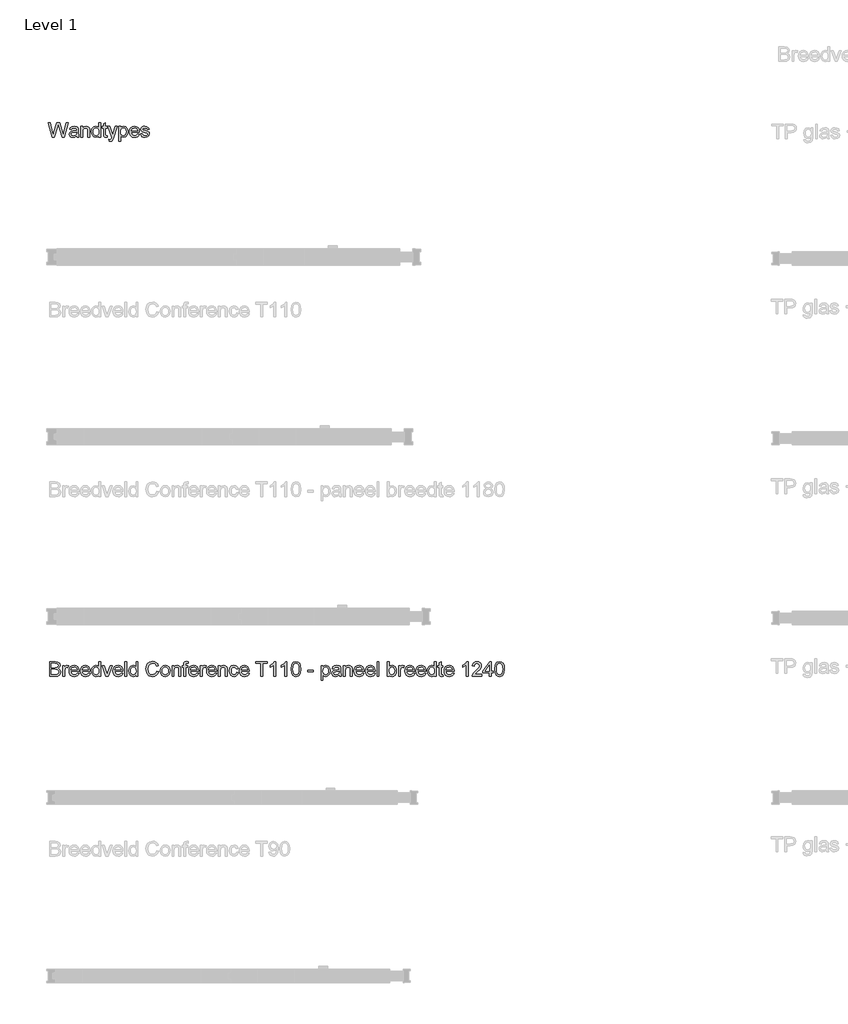
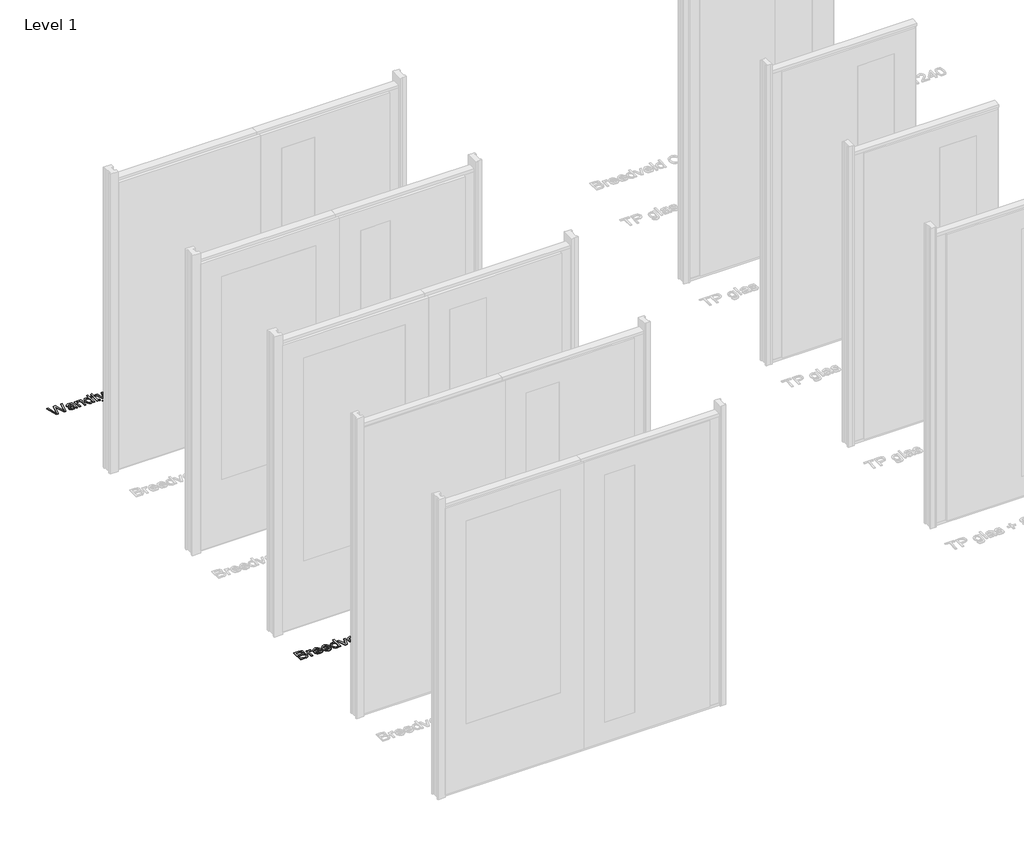
# One storey, part 6 of 17: 2 proxies.
"""IFC4 building model written with IfcOpenShell, lengths in millimetres."""

from ifc_helpers import new_model, si_unit, origin, origin_with_axes, place, context, project, spatial, polyline, outline, extrude, element, save

model = new_model("IFC4")

# Units and contexts
model_context = context("Model", 3, world=origin())
ifc_project = project(units=[si_unit("LENGTHUNIT", "METRE", prefix="MILLI")], contexts=[model_context])

# Site, building, storey
site = spatial("IfcSite", under=ifc_project)
building = spatial("IfcBuilding", under=site)
storey = spatial("IfcBuildingStorey", under=building, Name="Level 1", Elevation=0.0)

# Proxies
placement = place(None, origin())
element("IfcBuildingElementProxy", 1, Name="100 mm", ObjectType="100 mm", at=placement, inside=storey, context=model_context, shape_type="SweptSolid", body=[
    extrude(outline(polyline([(-17362.737862, 5332.9102169), (-17389.5888235, 5431.3717554), (-17376.8965158, 5431.3717554), (-17361.3195927, 5366.6602169), (-17356.5119004, 5346.6842554), (-17351.3676697, 5364.3525246), (-17331.8484389, 5431.3717554), (-17313.5551697, 5431.3717554), (-17299.3724774, 5382.7900246), (-17288.8195927, 5346.6842554), (-17284.1561312, 5366.0832938), (-17268.4349774, 5431.3717554), (-17255.7426697, 5431.3717554), (-17282.6176697, 5332.9102169), (-17295.7667081, 5332.9102169), (-17319.3724774, 5408.8717554), (-17322.6657466, 5419.4727169), (-17326.3676697, 5406.7082938), (-17347.8820927, 5332.9102169), (-17362.737862, 5332.9102169)])), origin_with_axes(), (0.0, 0.0, 1.0), 5.0),
    extrude(outline(polyline([(-17198.8195927, 5342.1409861), (-17210.7546889, 5333.79964), (-17223.9397851, 5331.3717554), (-17234.2252418, 5332.8320919), (-17241.8123812, 5337.2131015), (-17246.4908668, 5343.8657457), (-17248.050362, 5352.1409861), (-17245.6945927, 5361.8765631), (-17239.5046889, 5368.9438707), (-17230.8869004, 5372.9823323), (-17220.237862, 5374.8332938), (-17198.8917081, 5379.0640631), (-17198.8195927, 5381.8044477), (-17202.2090158, 5390.8909861), (-17215.8147851, 5394.4486784), (-17228.2667081, 5392.08089), (-17234.2042081, 5383.6794477), (-17246.5119004, 5385.2179092), (-17241.1873812, 5397.23714), (-17230.4662274, 5404.2804092), (-17214.2282466, 5406.7563707), (-17199.3123812, 5404.5688707), (-17190.8869004, 5399.0760823), (-17187.112862, 5390.7227169), (-17186.5119004, 5379.9534861), (-17186.5119004, 5364.6409861), (-17185.8869004, 5343.2587746), (-17183.4349774, 5332.9102169), (-17195.7426697, 5332.9102169), (-17198.8195927, 5342.1409861)]), holes=[polyline([(-17198.8195927, 5366.7563707), (-17218.675362, 5362.9823323), (-17229.2643043, 5360.98714), (-17234.0599774, 5357.7419477), (-17235.7426697, 5353.0063707), (-17232.0768043, 5346.3477169), (-17221.3195927, 5343.6794477), (-17208.8676697, 5346.6241592), (-17200.8388235, 5353.7515631), (-17198.8917081, 5363.2707938), (-17198.8195927, 5366.7563707)])]), origin_with_axes(), (0.0, 0.0, 1.0), 5.0),
    extrude(outline(polyline([(-17169.5888235, 5332.9102169), (-17169.5888235, 5405.2179092), (-17157.2811312, 5405.2179092), (-17157.2811312, 5395.1217554), (-17147.8700735, 5403.8477169), (-17135.0215158, 5406.7563707), (-17123.3989197, 5404.4126207), (-17115.4662274, 5398.2587746), (-17111.7763235, 5389.2082938), (-17111.1272851, 5377.3092554), (-17111.1272851, 5332.9102169), (-17123.4349774, 5332.9102169), (-17123.4349774, 5375.6506015), (-17124.8532466, 5386.5400246), (-17129.8652658, 5392.2972361), (-17138.3147851, 5394.4486784), (-17151.6681504, 5389.6169477), (-17155.877886, 5382.6157457), (-17157.2811312, 5371.2756015), (-17157.2811312, 5332.9102169), (-17169.5888235, 5332.9102169)])), origin_with_axes(), (0.0, 0.0, 1.0), 5.0),
    extrude(outline(polyline([(-17049.5888235, 5332.9102169), (-17049.5888235, 5344.5207938), (-17057.7318524, 5334.659015), (-17068.987862, 5331.3717554), (-17084.2282466, 5336.1313707), (-17094.9974774, 5349.4126207), (-17098.8195927, 5368.9919477), (-17095.2979581, 5388.5832938), (-17084.7450735, 5402.0688707), (-17069.0359389, 5406.7563707), (-17057.6897851, 5403.4030054), (-17049.5888235, 5394.6890631), (-17049.5888235, 5431.3717554), (-17037.2811312, 5431.3717554), (-17037.2811312, 5332.9102169), (-17049.5888235, 5332.9102169)]), holes=[polyline([(-17086.5119004, 5369.0400246), (-17085.1236793, 5357.9072121), (-17080.9590158, 5349.9895438), (-17074.9073331, 5345.2569717), (-17067.8580543, 5343.6794477), (-17060.8117802, 5345.1848563), (-17054.9133427, 5349.7010823), (-17050.9199533, 5357.3122602), (-17049.5888235, 5368.1025246), (-17050.9439918, 5379.8993996), (-17055.0094966, 5388.0784861), (-17061.0581745, 5392.8561304), (-17068.362862, 5394.4486784), (-17075.4842562, 5392.9192313), (-17081.3195927, 5388.33089), (-17085.2138235, 5380.4492794), (-17086.5119004, 5369.0400246)])]), origin_with_axes(), (0.0, 0.0, 1.0), 5.0),
    extrude(outline(polyline([(-16992.6657466, 5343.17464), (-16991.1272851, 5332.54964), (-17000.3340158, 5331.3717554), (-17010.6465158, 5333.4150246), (-17015.7907466, 5338.7756015), (-17017.2811312, 5352.7419477), (-17017.2811312, 5392.9102169), (-17026.5119004, 5392.9102169), (-17026.5119004, 5405.2179092), (-17017.2811312, 5405.2179092), (-17017.2811312, 5422.7900246), (-17004.9734389, 5430.0256015), (-17004.9734389, 5405.2179092), (-16992.6657466, 5405.2179092), (-16992.6657466, 5392.9102169), (-17004.9734389, 5392.9102169), (-17004.9734389, 5353.1025246), (-17004.3244004, 5346.7563707), (-17002.2210351, 5344.5087746), (-16998.0263235, 5343.6794477), (-16992.6657466, 5343.17464)])), origin_with_axes(), (0.0, 0.0, 1.0), 5.0),
    extrude(outline(polyline([(-16980.3580543, 5305.2179092), (-16981.8965158, 5317.0688707), (-16975.6465158, 5315.98714), (-16969.8051697, 5317.3453131), (-16966.2234389, 5321.1313707), (-16962.8580543, 5330.1938707), (-16961.8965158, 5333.17464), (-16988.050362, 5405.2179092), (-16975.0695927, 5405.2179092), (-16961.1994004, 5365.0736784), (-16956.3676697, 5349.0159861), (-16951.5359389, 5363.1986784), (-16937.2811312, 5405.2179092), (-16924.3965158, 5405.2179092), (-16949.5647851, 5331.1794477), (-16956.1032466, 5315.1217554), (-16963.2426697, 5306.4438707), (-16972.8340158, 5303.6794477), (-16980.3580543, 5305.2179092)])), origin_with_axes(), (0.0, 0.0, 1.0), 5.0),
    extrude(outline(polyline([(-16914.2042081, 5305.2179092), (-16914.2042081, 5405.2179092), (-16901.8965158, 5405.2179092), (-16901.8965158, 5393.1506015), (-16893.3869004, 5403.3549284), (-16881.8965158, 5406.7563707), (-16866.2955543, 5401.9967554), (-16856.1032466, 5388.5832938), (-16852.6657466, 5369.6169477), (-16856.5479581, 5349.6770438), (-16867.8219966, 5336.0953131), (-16883.3869004, 5331.3717554), (-16894.0960351, 5334.5328131), (-16901.8965158, 5342.5256015), (-16901.8965158, 5305.2179092), (-16914.2042081, 5305.2179092)]), holes=[polyline([(-16901.8965158, 5368.48714), (-16900.565386, 5357.4534861), (-16896.5719966, 5349.73714), (-16890.6795687, 5345.1938707), (-16883.6513235, 5343.6794477), (-16876.5088956, 5345.2479573), (-16870.4662274, 5349.9534861), (-16866.346636, 5357.9522842), (-16864.9734389, 5369.4006015), (-16866.3135831, 5380.3741592), (-16870.3340158, 5388.1986784), (-16876.2174293, 5392.8861784), (-16883.1465158, 5394.4486784), (-16890.1026456, 5392.7870198), (-16896.2114197, 5387.8020438), (-16900.4752418, 5379.6500006), (-16901.8965158, 5368.48714)])]), origin_with_axes(), (0.0, 0.0, 1.0), 5.0),
    extrude(outline(polyline([(-16788.1945927, 5354.4486784), (-16776.1272851, 5352.9102169), (-16780.4752418, 5343.8176688), (-16787.4133427, 5337.0207938), (-16796.7853379, 5332.784015), (-16808.4349774, 5331.3717554), (-16822.8760831, 5333.8086544), (-16833.987862, 5341.1193515), (-16841.0731985, 5352.8290871), (-16843.4349774, 5368.4631015), (-16841.0491601, 5384.6229573), (-16833.8917081, 5396.7082938), (-16822.9301697, 5404.2443515), (-16809.1320927, 5406.7563707), (-16795.7637033, 5404.2503611), (-16785.081612, 5396.7323323), (-16778.0774052, 5384.6710342), (-16775.7426697, 5368.5352169), (-16775.8147851, 5365.2179092), (-16831.1272851, 5365.2179092), (-16828.9968764, 5356.0051688), (-16824.0479581, 5349.2323323), (-16808.1945927, 5343.6794477), (-16796.1272851, 5346.2515631), (-16788.1945927, 5354.4486784)]), holes=[polyline([(-16831.1272851, 5377.5256015), (-16788.050362, 5377.5256015), (-16792.9782466, 5388.6794477), (-16800.1537274, 5393.0063707), (-16809.1801697, 5394.4486784), (-16824.3364197, 5389.8453131), (-16831.1272851, 5377.5256015)])]), origin_with_axes(), (0.0, 0.0, 1.0), 5.0),
    extrude(outline(polyline([(-16768.050362, 5354.4486784), (-16755.7426697, 5355.98714), (-16750.0455543, 5346.8525246), (-16736.9926697, 5343.6794477), (-16724.4445927, 5346.5881015), (-16720.3580543, 5353.4150246), (-16724.4686312, 5358.9438707), (-16737.1369004, 5362.4534861), (-16755.6705543, 5368.4751207), (-16763.7594966, 5375.5063707), (-16766.5119004, 5385.4342554), (-16764.300362, 5394.6049284), (-16758.2667081, 5401.61214), (-16750.4421889, 5405.2539669), (-16739.8532466, 5406.7563707), (-16724.8772851, 5404.3405054), (-16715.3580543, 5397.8020438), (-16711.1272851, 5386.7563707), (-16723.4349774, 5385.2179092), (-16728.0623812, 5392.0087746), (-16738.8917081, 5394.4486784), (-16750.6705543, 5392.1169477), (-16754.2042081, 5386.6842554), (-16752.737862, 5383.1025246), (-16748.1465158, 5380.3861784), (-16737.5455543, 5377.7659861), (-16719.4806504, 5371.9727169), (-16711.0912274, 5365.4102169), (-16708.050362, 5354.7131015), (-16711.6200735, 5342.9342554), (-16721.9205543, 5334.3885823), (-16737.1609389, 5331.3717554), (-16749.5707947, 5332.8260823), (-16758.6272851, 5337.1890631), (-16764.6729581, 5344.4126207), (-16768.050362, 5354.4486784)])), origin_with_axes(), (0.0, 0.0, 1.0), 5.0),
])
element("IfcBuildingElementProxy", 2, Name="100 mm", ObjectType="100 mm", at=placement, inside=storey, context=model_context, shape_type="SweptSolid", body=[
    extrude(outline(polyline([(-17380.3580543, 1702.9102169), (-17380.3580543, 1801.3717554), (-17342.7859389, 1801.3717554), (-17324.3844966, 1798.4751207), (-17313.519112, 1789.5688707), (-17309.5888235, 1776.9727169), (-17312.894112, 1765.4703131), (-17322.8820927, 1756.7563707), (-17310.7546889, 1747.5736784), (-17306.5119004, 1732.2611784), (-17309.4085351, 1719.0280054), (-17316.5840158, 1709.6049284), (-17327.2931504, 1704.6049284), (-17343.0744004, 1702.9102169), (-17380.3580543, 1702.9102169)]), holes=[polyline([(-17368.050362, 1715.2179092), (-17342.8099774, 1715.2179092), (-17333.675362, 1715.6986784), (-17325.9469966, 1718.3789669), (-17320.8268043, 1723.8477169), (-17318.8195927, 1732.1409861), (-17321.175362, 1741.7082938), (-17328.8075735, 1747.4174284), (-17344.0119004, 1749.0640631), (-17368.050362, 1749.0640631), (-17368.050362, 1715.2179092)]), polyline([(-17368.050362, 1761.3717554), (-17345.5744004, 1761.3717554), (-17332.4494004, 1762.4294477), (-17324.5527658, 1766.9847361), (-17321.8965158, 1775.0015631), (-17324.3724774, 1783.0304092), (-17331.4638235, 1787.7780054), (-17347.2811312, 1789.0640631), (-17368.050362, 1789.0640631), (-17368.050362, 1761.3717554)])]), origin_with_axes(), (0.0, 0.0, 1.0), 5.0),
    extrude(outline(polyline([(-17291.1272851, 1702.9102169), (-17291.1272851, 1775.2179092), (-17280.3580543, 1775.2179092), (-17280.3580543, 1764.5207938), (-17272.7138235, 1774.3765631), (-17265.0215158, 1776.7563707), (-17252.6657466, 1772.9582938), (-17256.7763235, 1761.92464), (-17265.4301697, 1764.4486784), (-17272.3893043, 1762.0207938), (-17276.8244004, 1755.2900246), (-17278.8195927, 1740.9150246), (-17278.8195927, 1702.9102169), (-17291.1272851, 1702.9102169)])), origin_with_axes(), (0.0, 0.0, 1.0), 5.0),
    extrude(outline(polyline([(-17194.3484389, 1724.4486784), (-17182.2811312, 1722.9102169), (-17186.6290879, 1713.8176688), (-17193.5671889, 1707.0207938), (-17202.9391841, 1702.784015), (-17214.5888235, 1701.3717554), (-17229.0299293, 1703.8086544), (-17240.1417081, 1711.1193515), (-17247.2270447, 1722.8290871), (-17249.5888235, 1738.4631015), (-17247.2030062, 1754.6229573), (-17240.0455543, 1766.7082938), (-17229.0840158, 1774.2443515), (-17215.2859389, 1776.7563707), (-17201.9175495, 1774.2503611), (-17191.2354581, 1766.7323323), (-17184.2312514, 1754.6710342), (-17181.8965158, 1738.5352169), (-17181.9686312, 1735.2179092), (-17237.2811312, 1735.2179092), (-17235.1507226, 1726.0051688), (-17230.2018043, 1719.2323323), (-17214.3484389, 1713.6794477), (-17202.2811312, 1716.2515631), (-17194.3484389, 1724.4486784)]), holes=[polyline([(-17237.2811312, 1747.5256015), (-17194.2042081, 1747.5256015), (-17199.1320927, 1758.6794477), (-17206.3075735, 1763.0063707), (-17215.3340158, 1764.4486784), (-17230.4902658, 1759.8453131), (-17237.2811312, 1747.5256015)])]), origin_with_axes(), (0.0, 0.0, 1.0), 5.0),
    extrude(outline(polyline([(-17118.9638235, 1724.4486784), (-17106.8965158, 1722.9102169), (-17111.2444726, 1713.8176688), (-17118.1825735, 1707.0207938), (-17127.5545687, 1702.784015), (-17139.2042081, 1701.3717554), (-17153.6453139, 1703.8086544), (-17164.7570927, 1711.1193515), (-17171.8424293, 1722.8290871), (-17174.2042081, 1738.4631015), (-17171.8183908, 1754.6229573), (-17164.6609389, 1766.7082938), (-17153.6994004, 1774.2443515), (-17139.9013235, 1776.7563707), (-17126.5329341, 1774.2503611), (-17115.8508427, 1766.7323323), (-17108.846636, 1754.6710342), (-17106.5119004, 1738.5352169), (-17106.5840158, 1735.2179092), (-17161.8965158, 1735.2179092), (-17159.7661072, 1726.0051688), (-17154.8171889, 1719.2323323), (-17138.9638235, 1713.6794477), (-17126.8965158, 1716.2515631), (-17118.9638235, 1724.4486784)]), holes=[polyline([(-17161.8965158, 1747.5256015), (-17118.8195927, 1747.5256015), (-17123.7474774, 1758.6794477), (-17130.9229581, 1763.0063707), (-17139.9494004, 1764.4486784), (-17155.1056504, 1759.8453131), (-17161.8965158, 1747.5256015)])]), origin_with_axes(), (0.0, 0.0, 1.0), 5.0),
    extrude(outline(polyline([(-17049.5888235, 1702.9102169), (-17049.5888235, 1714.5207938), (-17057.7318524, 1704.659015), (-17068.987862, 1701.3717554), (-17084.2282466, 1706.1313707), (-17094.9974774, 1719.4126207), (-17098.8195927, 1738.9919477), (-17095.2979581, 1758.5832938), (-17084.7450735, 1772.0688707), (-17069.0359389, 1776.7563707), (-17057.6897851, 1773.4030054), (-17049.5888235, 1764.6890631), (-17049.5888235, 1801.3717554), (-17037.2811312, 1801.3717554), (-17037.2811312, 1702.9102169), (-17049.5888235, 1702.9102169)]), holes=[polyline([(-17086.5119004, 1739.0400246), (-17085.1236793, 1727.9072121), (-17080.9590158, 1719.9895438), (-17074.9073331, 1715.2569717), (-17067.8580543, 1713.6794477), (-17060.8117802, 1715.1848563), (-17054.9133427, 1719.7010823), (-17050.9199533, 1727.3122602), (-17049.5888235, 1738.1025246), (-17050.9439918, 1749.8993996), (-17055.0094966, 1758.0784861), (-17061.0581745, 1762.8561304), (-17068.362862, 1764.4486784), (-17075.4842562, 1762.9192313), (-17081.3195927, 1758.33089), (-17085.2138235, 1750.4492794), (-17086.5119004, 1739.0400246)])]), origin_with_axes(), (0.0, 0.0, 1.0), 5.0),
    extrude(outline(polyline([(-17001.0792081, 1702.9102169), (-17026.5119004, 1775.2179092), (-17013.4830543, 1775.2179092), (-16998.0744004, 1731.9006015), (-16993.4349774, 1717.3332938), (-16988.8917081, 1731.0832938), (-16973.3869004, 1775.2179092), (-16960.3580543, 1775.2179092), (-16985.4782466, 1702.9102169), (-17001.0792081, 1702.9102169)])), origin_with_axes(), (0.0, 0.0, 1.0), 5.0),
    extrude(outline(polyline([(-16898.9638235, 1724.4486784), (-16886.8965158, 1722.9102169), (-16891.2444726, 1713.8176688), (-16898.1825735, 1707.0207938), (-16907.5545687, 1702.784015), (-16919.2042081, 1701.3717554), (-16933.6453139, 1703.8086544), (-16944.7570927, 1711.1193515), (-16951.8424293, 1722.8290871), (-16954.2042081, 1738.4631015), (-16951.8183908, 1754.6229573), (-16944.6609389, 1766.7082938), (-16933.6994004, 1774.2443515), (-16919.9013235, 1776.7563707), (-16906.5329341, 1774.2503611), (-16895.8508427, 1766.7323323), (-16888.846636, 1754.6710342), (-16886.5119004, 1738.5352169), (-16886.5840158, 1735.2179092), (-16941.8965158, 1735.2179092), (-16939.7661072, 1726.0051688), (-16934.8171889, 1719.2323323), (-16918.9638235, 1713.6794477), (-16906.8965158, 1716.2515631), (-16898.9638235, 1724.4486784)]), holes=[polyline([(-16941.8965158, 1747.5256015), (-16898.8195927, 1747.5256015), (-16903.7474774, 1758.6794477), (-16910.9229581, 1763.0063707), (-16919.9494004, 1764.4486784), (-16935.1056504, 1759.8453131), (-16941.8965158, 1747.5256015)])]), origin_with_axes(), (0.0, 0.0, 1.0), 5.0),
    extrude(outline(polyline([(-16874.2042081, 1702.9102169), (-16874.2042081, 1801.3717554), (-16861.8965158, 1801.3717554), (-16861.8965158, 1702.9102169), (-16874.2042081, 1702.9102169)])), origin_with_axes(), (0.0, 0.0, 1.0), 5.0),
    extrude(outline(polyline([(-16798.8195927, 1702.9102169), (-16798.8195927, 1714.5207938), (-16806.9626216, 1704.659015), (-16818.2186312, 1701.3717554), (-16833.4590158, 1706.1313707), (-16844.2282466, 1719.4126207), (-16848.050362, 1738.9919477), (-16844.5287274, 1758.5832938), (-16833.9758427, 1772.0688707), (-16818.2667081, 1776.7563707), (-16806.9205543, 1773.4030054), (-16798.8195927, 1764.6890631), (-16798.8195927, 1801.3717554), (-16786.5119004, 1801.3717554), (-16786.5119004, 1702.9102169), (-16798.8195927, 1702.9102169)]), holes=[polyline([(-16835.7426697, 1739.0400246), (-16834.3544485, 1727.9072121), (-16830.1897851, 1719.9895438), (-16824.1381024, 1715.2569717), (-16817.0888235, 1713.6794477), (-16810.0425495, 1715.1848563), (-16804.144112, 1719.7010823), (-16800.1507226, 1727.3122602), (-16798.8195927, 1738.1025246), (-16800.174761, 1749.8993996), (-16804.2402658, 1758.0784861), (-16810.2889437, 1762.8561304), (-16817.5936312, 1764.4486784), (-16824.7150254, 1762.9192313), (-16830.550362, 1758.33089), (-16834.4445927, 1750.4492794), (-16835.7426697, 1739.0400246)])]), origin_with_axes(), (0.0, 0.0, 1.0), 5.0),
    extrude(outline(polyline([(-16658.8195927, 1737.9102169), (-16646.5119004, 1734.73714), (-16652.190987, 1720.3951929), (-16661.1032466, 1709.9174284), (-16672.8099774, 1703.5081736), (-16686.8724774, 1701.3717554), (-16701.1483187, 1702.9883419), (-16712.4854581, 1707.8381015), (-16721.175362, 1715.752765), (-16727.5094966, 1726.5640631), (-16732.6657466, 1752.8861784), (-16731.2084149, 1767.2431496), (-16726.8364197, 1779.6409861), (-16719.7781264, 1789.6860582), (-16710.2619004, 1796.9847361), (-16686.6080543, 1802.9102169), (-16673.1134629, 1800.9931496), (-16661.956612, 1795.2419477), (-16653.4860591, 1786.0111784), (-16648.050362, 1773.6554092), (-16660.3580543, 1770.7227169), (-16670.4542081, 1785.8549284), (-16687.0888235, 1790.6025246), (-16706.3436312, 1785.3381015), (-16717.2210351, 1771.2034861), (-16720.3580543, 1752.9102169), (-16716.644112, 1731.7082938), (-16705.081612, 1718.1626207), (-16688.0984389, 1713.6794477), (-16677.8250014, 1715.20589), (-16669.2643043, 1719.7852169), (-16662.8009629, 1727.3693515), (-16658.8195927, 1737.9102169)])), origin_with_axes(), (0.0, 0.0, 1.0), 5.0),
    extrude(outline(polyline([(-16634.2042081, 1739.0640631), (-16631.5419485, 1756.4979573), (-16623.5551697, 1768.7515631), (-16613.6873812, 1774.7551688), (-16601.8724774, 1776.7563707), (-16588.9427899, 1774.3194717), (-16578.6152658, 1767.0087746), (-16571.8454341, 1755.4012025), (-16569.5888235, 1740.0736784), (-16573.5792081, 1718.17464), (-16585.2018043, 1705.7828131), (-16601.8724774, 1701.3717554), (-16614.9584149, 1703.79964), (-16625.2739197, 1711.0832938), (-16631.971636, 1722.9342554), (-16634.2042081, 1739.0640631)]), holes=[polyline([(-16621.8965158, 1739.0881015), (-16620.472237, 1727.9492794), (-16616.1994004, 1720.0135823), (-16609.769112, 1715.2629813), (-16601.8724774, 1713.6794477), (-16594.0119004, 1715.2719957), (-16587.5936312, 1720.04964), (-16583.3207947, 1728.0905054), (-16581.8965158, 1739.4727169), (-16583.3298091, 1750.2870198), (-16587.6296889, 1758.1145438), (-16594.0569726, 1762.8651448), (-16601.8724774, 1764.4486784), (-16609.769112, 1762.8711544), (-16616.1994004, 1758.1385823), (-16620.472237, 1750.220914), (-16621.8965158, 1739.0881015)])]), origin_with_axes(), (0.0, 0.0, 1.0), 5.0),
    extrude(outline(polyline([(-16555.7426697, 1702.9102169), (-16555.7426697, 1775.2179092), (-16543.4349774, 1775.2179092), (-16543.4349774, 1765.1217554), (-16534.0239197, 1773.8477169), (-16521.175362, 1776.7563707), (-16509.5527658, 1774.4126207), (-16501.6200735, 1768.2587746), (-16497.9301697, 1759.2082938), (-16497.2811312, 1747.3092554), (-16497.2811312, 1702.9102169), (-16509.5888235, 1702.9102169), (-16509.5888235, 1745.6506015), (-16511.0070927, 1756.5400246), (-16516.019112, 1762.2972361), (-16524.4686312, 1764.4486784), (-16537.8219966, 1759.6169477), (-16542.0317322, 1752.6157457), (-16543.4349774, 1741.2756015), (-16543.4349774, 1702.9102169), (-16555.7426697, 1702.9102169)])), origin_with_axes(), (0.0, 0.0, 1.0), 5.0),
    extrude(outline(polyline([(-16477.2811312, 1702.9102169), (-16477.2811312, 1762.9102169), (-16488.050362, 1762.9102169), (-16488.050362, 1775.2179092), (-16477.2811312, 1775.2179092), (-16477.2811312, 1782.5015631), (-16475.9830543, 1792.7659861), (-16469.6849774, 1800.0977169), (-16457.2811312, 1802.9102169), (-16446.0551697, 1801.5640631), (-16447.8580543, 1790.0256015), (-16454.9494004, 1790.6025246), (-16462.7018043, 1788.5592554), (-16464.9734389, 1780.9390631), (-16464.9734389, 1775.2179092), (-16451.1272851, 1775.2179092), (-16451.1272851, 1762.9102169), (-16464.9734389, 1762.9102169), (-16464.9734389, 1702.9102169), (-16477.2811312, 1702.9102169)])), origin_with_axes(), (0.0, 0.0, 1.0), 5.0),
    extrude(outline(polyline([(-16389.7330543, 1724.4486784), (-16377.6657466, 1722.9102169), (-16382.0137033, 1713.8176688), (-16388.9518043, 1707.0207938), (-16398.3237995, 1702.784015), (-16409.9734389, 1701.3717554), (-16424.4145447, 1703.8086544), (-16435.5263235, 1711.1193515), (-16442.6116601, 1722.8290871), (-16444.9734389, 1738.4631015), (-16442.5876216, 1754.6229573), (-16435.4301697, 1766.7082938), (-16424.4686312, 1774.2443515), (-16410.6705543, 1776.7563707), (-16397.3021649, 1774.2503611), (-16386.6200735, 1766.7323323), (-16379.6158668, 1754.6710342), (-16377.2811312, 1738.5352169), (-16377.3532466, 1735.2179092), (-16432.6657466, 1735.2179092), (-16430.5353379, 1726.0051688), (-16425.5864197, 1719.2323323), (-16409.7330543, 1713.6794477), (-16397.6657466, 1716.2515631), (-16389.7330543, 1724.4486784)]), holes=[polyline([(-16432.6657466, 1747.5256015), (-16389.5888235, 1747.5256015), (-16394.5167081, 1758.6794477), (-16401.6921889, 1763.0063707), (-16410.7186312, 1764.4486784), (-16425.8748812, 1759.8453131), (-16432.6657466, 1747.5256015)])]), origin_with_axes(), (0.0, 0.0, 1.0), 5.0),
    extrude(outline(polyline([(-16364.9734389, 1702.9102169), (-16364.9734389, 1775.2179092), (-16354.2042081, 1775.2179092), (-16354.2042081, 1764.5207938), (-16346.5599774, 1774.3765631), (-16338.8676697, 1776.7563707), (-16326.5119004, 1772.9582938), (-16330.6224774, 1761.92464), (-16339.2763235, 1764.4486784), (-16346.2354581, 1762.0207938), (-16350.6705543, 1755.2900246), (-16352.6657466, 1740.9150246), (-16352.6657466, 1702.9102169), (-16364.9734389, 1702.9102169)])), origin_with_axes(), (0.0, 0.0, 1.0), 5.0),
    extrude(outline(polyline([(-16268.1945927, 1724.4486784), (-16256.1272851, 1722.9102169), (-16260.4752418, 1713.8176688), (-16267.4133427, 1707.0207938), (-16276.7853379, 1702.784015), (-16288.4349774, 1701.3717554), (-16302.8760831, 1703.8086544), (-16313.987862, 1711.1193515), (-16321.0731985, 1722.8290871), (-16323.4349774, 1738.4631015), (-16321.0491601, 1754.6229573), (-16313.8917081, 1766.7082938), (-16302.9301697, 1774.2443515), (-16289.1320927, 1776.7563707), (-16275.7637033, 1774.2503611), (-16265.081612, 1766.7323323), (-16258.0774052, 1754.6710342), (-16255.7426697, 1738.5352169), (-16255.8147851, 1735.2179092), (-16311.1272851, 1735.2179092), (-16308.9968764, 1726.0051688), (-16304.0479581, 1719.2323323), (-16288.1945927, 1713.6794477), (-16276.1272851, 1716.2515631), (-16268.1945927, 1724.4486784)]), holes=[polyline([(-16311.1272851, 1747.5256015), (-16268.050362, 1747.5256015), (-16272.9782466, 1758.6794477), (-16280.1537274, 1763.0063707), (-16289.1801697, 1764.4486784), (-16304.3364197, 1759.8453131), (-16311.1272851, 1747.5256015)])]), origin_with_axes(), (0.0, 0.0, 1.0), 5.0),
    extrude(outline(polyline([(-16243.4349774, 1702.9102169), (-16243.4349774, 1775.2179092), (-16231.1272851, 1775.2179092), (-16231.1272851, 1765.1217554), (-16221.7162274, 1773.8477169), (-16208.8676697, 1776.7563707), (-16197.2450735, 1774.4126207), (-16189.3123812, 1768.2587746), (-16185.6224774, 1759.2082938), (-16184.9734389, 1747.3092554), (-16184.9734389, 1702.9102169), (-16197.2811312, 1702.9102169), (-16197.2811312, 1745.6506015), (-16198.6994004, 1756.5400246), (-16203.7114197, 1762.2972361), (-16212.1609389, 1764.4486784), (-16225.5143043, 1759.6169477), (-16229.7240399, 1752.6157457), (-16231.1272851, 1741.2756015), (-16231.1272851, 1702.9102169), (-16243.4349774, 1702.9102169)])), origin_with_axes(), (0.0, 0.0, 1.0), 5.0),
    extrude(outline(polyline([(-16121.8965158, 1729.0640631), (-16109.5888235, 1727.5256015), (-16113.0203139, 1716.5790871), (-16119.4686312, 1708.3068515), (-16128.3268043, 1703.1055294), (-16138.987862, 1701.3717554), (-16152.0798091, 1703.7906256), (-16162.3171889, 1711.0472361), (-16168.924761, 1722.8230775), (-16171.1272851, 1738.79964), (-16167.3652658, 1759.2443515), (-16155.8989197, 1772.3813707), (-16139.1561312, 1776.7563707), (-16128.7564918, 1775.2539669), (-16120.4421889, 1770.7467554), (-16114.4776456, 1763.4751207), (-16111.1272851, 1753.6794477), (-16123.4349774, 1752.1409861), (-16129.144112, 1761.3597361), (-16139.0599774, 1764.4486784), (-16147.0137033, 1762.9282457), (-16153.3268043, 1758.3669477), (-16157.4463956, 1750.51839), (-16158.8195927, 1739.1361784), (-16157.4764437, 1727.6007217), (-16153.4469966, 1719.7251207), (-16147.2480783, 1715.1908659), (-16139.3965158, 1713.6794477), (-16127.7979581, 1717.4534861), (-16121.8965158, 1729.0640631)])), origin_with_axes(), (0.0, 0.0, 1.0), 5.0),
    extrude(outline(polyline([(-16048.1945927, 1724.4486784), (-16036.1272851, 1722.9102169), (-16040.4752418, 1713.8176688), (-16047.4133427, 1707.0207938), (-16056.7853379, 1702.784015), (-16068.4349774, 1701.3717554), (-16082.8760831, 1703.8086544), (-16093.987862, 1711.1193515), (-16101.0731985, 1722.8290871), (-16103.4349774, 1738.4631015), (-16101.0491601, 1754.6229573), (-16093.8917081, 1766.7082938), (-16082.9301697, 1774.2443515), (-16069.1320927, 1776.7563707), (-16055.7637033, 1774.2503611), (-16045.081612, 1766.7323323), (-16038.0774052, 1754.6710342), (-16035.7426697, 1738.5352169), (-16035.8147851, 1735.2179092), (-16091.1272851, 1735.2179092), (-16088.9968764, 1726.0051688), (-16084.0479581, 1719.2323323), (-16068.1945927, 1713.6794477), (-16056.1272851, 1716.2515631), (-16048.1945927, 1724.4486784)]), holes=[polyline([(-16091.1272851, 1747.5256015), (-16048.050362, 1747.5256015), (-16052.9782466, 1758.6794477), (-16060.1537274, 1763.0063707), (-16069.1801697, 1764.4486784), (-16084.3364197, 1759.8453131), (-16091.1272851, 1747.5256015)])]), origin_with_axes(), (0.0, 0.0, 1.0), 5.0),
    extrude(outline(polyline([(-15958.8195927, 1702.9102169), (-15958.8195927, 1789.0640631), (-15991.1272851, 1789.0640631), (-15991.1272851, 1801.3717554), (-15914.2042081, 1801.3717554), (-15914.2042081, 1789.0640631), (-15946.5119004, 1789.0640631), (-15946.5119004, 1702.9102169), (-15958.8195927, 1702.9102169)])), origin_with_axes(), (0.0, 0.0, 1.0), 5.0),
    extrude(outline(polyline([(-15858.8195927, 1702.9102169), (-15871.1272851, 1702.9102169), (-15871.1272851, 1779.6409861), (-15882.7859389, 1771.3356977), (-15895.7426697, 1765.1217554), (-15895.7426697, 1776.7563707), (-15877.7018043, 1788.2707938), (-15866.7522851, 1801.3717554), (-15858.8195927, 1801.3717554), (-15858.8195927, 1702.9102169)])), origin_with_axes(), (0.0, 0.0, 1.0), 5.0),
    extrude(outline(polyline([(-15783.4349774, 1702.9102169), (-15795.7426697, 1702.9102169), (-15795.7426697, 1779.6409861), (-15807.4013235, 1771.3356977), (-15820.3580543, 1765.1217554), (-15820.3580543, 1776.7563707), (-15802.3171889, 1788.2707938), (-15791.3676697, 1801.3717554), (-15783.4349774, 1801.3717554), (-15783.4349774, 1702.9102169)])), origin_with_axes(), (0.0, 0.0, 1.0), 5.0),
    extrude(outline(polyline([(-15754.2042081, 1751.3477169), (-15750.5864197, 1779.6770438), (-15739.8412274, 1796.0111784), (-15721.8965158, 1801.3717554), (-15707.5215158, 1798.1986784), (-15697.5936312, 1789.0520438), (-15691.8244004, 1774.4847361), (-15689.5888235, 1751.3477169), (-15693.1705543, 1723.1385823), (-15703.8796889, 1706.76839), (-15721.8965158, 1701.3717554), (-15734.6849774, 1703.7155054), (-15744.3965158, 1710.7467554), (-15751.7522851, 1727.3993996), (-15754.2042081, 1751.3477169)]), holes=[polyline([(-15741.8965158, 1751.3717554), (-15740.4542081, 1732.0117794), (-15736.1272851, 1720.8068515), (-15729.6849774, 1715.4612986), (-15721.8965158, 1713.6794477), (-15714.1080543, 1715.4673082), (-15707.6657466, 1720.83089), (-15703.3388235, 1732.0418275), (-15701.8965158, 1751.3717554), (-15703.2907466, 1770.2960342), (-15707.4734389, 1781.5881015), (-15713.9037274, 1787.1950727), (-15722.0407466, 1789.0640631), (-15729.7450735, 1787.4174284), (-15735.9349774, 1782.4775246), (-15740.4061312, 1770.4823323), (-15741.8965158, 1751.3717554)])]), origin_with_axes(), (0.0, 0.0, 1.0), 5.0),
    extrude(outline(polyline([(-15643.4349774, 1732.1409861), (-15643.4349774, 1744.4486784), (-15604.9734389, 1744.4486784), (-15604.9734389, 1732.1409861), (-15643.4349774, 1732.1409861)])), origin_with_axes(), (0.0, 0.0, 1.0), 5.0),
    extrude(outline(polyline([(-15552.6657466, 1675.2179092), (-15552.6657466, 1775.2179092), (-15540.3580543, 1775.2179092), (-15540.3580543, 1763.1506015), (-15531.8484389, 1773.3549284), (-15520.3580543, 1776.7563707), (-15504.7570927, 1771.9967554), (-15494.5647851, 1758.5832938), (-15491.1272851, 1739.6169477), (-15495.0094966, 1719.6770438), (-15506.2835351, 1706.0953131), (-15521.8484389, 1701.3717554), (-15532.5575735, 1704.5328131), (-15540.3580543, 1712.5256015), (-15540.3580543, 1675.2179092), (-15552.6657466, 1675.2179092)]), holes=[polyline([(-15540.3580543, 1738.48714), (-15539.0269245, 1727.4534861), (-15535.0335351, 1719.73714), (-15529.1411072, 1715.1938707), (-15522.112862, 1713.6794477), (-15514.9704341, 1715.2479573), (-15508.9277658, 1719.9534861), (-15504.8081745, 1727.9522842), (-15503.4349774, 1739.4006015), (-15504.7751216, 1750.3741592), (-15508.7955543, 1758.1986784), (-15514.6789677, 1762.8861784), (-15521.6080543, 1764.4486784), (-15528.5641841, 1762.7870198), (-15534.6729581, 1757.8020438), (-15538.9367802, 1749.6500006), (-15540.3580543, 1738.48714)])]), origin_with_axes(), (0.0, 0.0, 1.0), 5.0),
    extrude(outline(polyline([(-15431.1272851, 1712.1409861), (-15443.0623812, 1703.79964), (-15456.2474774, 1701.3717554), (-15466.5329341, 1702.8320919), (-15474.1200735, 1707.2131015), (-15478.7985591, 1713.8657457), (-15480.3580543, 1722.1409861), (-15478.0022851, 1731.8765631), (-15471.8123812, 1738.9438707), (-15463.1945927, 1742.9823323), (-15452.5455543, 1744.8332938), (-15431.1994004, 1749.0640631), (-15431.1272851, 1751.8044477), (-15434.5167081, 1760.8909861), (-15448.1224774, 1764.4486784), (-15460.5744004, 1762.08089), (-15466.5119004, 1753.6794477), (-15478.8195927, 1755.2179092), (-15473.4950735, 1767.23714), (-15462.7739197, 1774.2804092), (-15446.5359389, 1776.7563707), (-15431.6200735, 1774.5688707), (-15423.1945927, 1769.0760823), (-15419.4205543, 1760.7227169), (-15418.8195927, 1749.9534861), (-15418.8195927, 1734.6409861), (-15418.1945927, 1713.2587746), (-15415.7426697, 1702.9102169), (-15428.050362, 1702.9102169), (-15431.1272851, 1712.1409861)]), holes=[polyline([(-15431.1272851, 1736.7563707), (-15450.9830543, 1732.9823323), (-15461.5719966, 1730.98714), (-15466.3676697, 1727.7419477), (-15468.050362, 1723.0063707), (-15464.3844966, 1716.3477169), (-15453.6272851, 1713.6794477), (-15441.175362, 1716.6241592), (-15433.1465158, 1723.7515631), (-15431.1994004, 1733.2707938), (-15431.1272851, 1736.7563707)])]), origin_with_axes(), (0.0, 0.0, 1.0), 5.0),
    extrude(outline(polyline([(-15401.8965158, 1702.9102169), (-15401.8965158, 1775.2179092), (-15389.5888235, 1775.2179092), (-15389.5888235, 1765.1217554), (-15380.1777658, 1773.8477169), (-15367.3292081, 1776.7563707), (-15355.706612, 1774.4126207), (-15347.7739197, 1768.2587746), (-15344.0840158, 1759.2082938), (-15343.4349774, 1747.3092554), (-15343.4349774, 1702.9102169), (-15355.7426697, 1702.9102169), (-15355.7426697, 1745.6506015), (-15357.1609389, 1756.5400246), (-15362.1729581, 1762.2972361), (-15370.6224774, 1764.4486784), (-15383.9758427, 1759.6169477), (-15388.1855783, 1752.6157457), (-15389.5888235, 1741.2756015), (-15389.5888235, 1702.9102169), (-15401.8965158, 1702.9102169)])), origin_with_axes(), (0.0, 0.0, 1.0), 5.0),
    extrude(outline(polyline([(-15275.8869004, 1724.4486784), (-15263.8195927, 1722.9102169), (-15268.1675495, 1713.8176688), (-15275.1056504, 1707.0207938), (-15284.4776456, 1702.784015), (-15296.1272851, 1701.3717554), (-15310.5683908, 1703.8086544), (-15321.6801697, 1711.1193515), (-15328.7655062, 1722.8290871), (-15331.1272851, 1738.4631015), (-15328.7414677, 1754.6229573), (-15321.5840158, 1766.7082938), (-15310.6224774, 1774.2443515), (-15296.8244004, 1776.7563707), (-15283.456011, 1774.2503611), (-15272.7739197, 1766.7323323), (-15265.7697129, 1754.6710342), (-15263.4349774, 1738.5352169), (-15263.5070927, 1735.2179092), (-15318.8195927, 1735.2179092), (-15316.6891841, 1726.0051688), (-15311.7402658, 1719.2323323), (-15295.8869004, 1713.6794477), (-15283.8195927, 1716.2515631), (-15275.8869004, 1724.4486784)]), holes=[polyline([(-15318.8195927, 1747.5256015), (-15275.7426697, 1747.5256015), (-15280.6705543, 1758.6794477), (-15287.8460351, 1763.0063707), (-15296.8724774, 1764.4486784), (-15312.0287274, 1759.8453131), (-15318.8195927, 1747.5256015)])]), origin_with_axes(), (0.0, 0.0, 1.0), 5.0),
    extrude(outline(polyline([(-15200.5022851, 1724.4486784), (-15188.4349774, 1722.9102169), (-15192.7829341, 1713.8176688), (-15199.7210351, 1707.0207938), (-15209.0930302, 1702.784015), (-15220.7426697, 1701.3717554), (-15235.1837754, 1703.8086544), (-15246.2955543, 1711.1193515), (-15253.3808908, 1722.8290871), (-15255.7426697, 1738.4631015), (-15253.3568524, 1754.6229573), (-15246.1994004, 1766.7082938), (-15235.237862, 1774.2443515), (-15221.4397851, 1776.7563707), (-15208.0713956, 1774.2503611), (-15197.3893043, 1766.7323323), (-15190.3850976, 1754.6710342), (-15188.050362, 1738.5352169), (-15188.1224774, 1735.2179092), (-15243.4349774, 1735.2179092), (-15241.3045687, 1726.0051688), (-15236.3556504, 1719.2323323), (-15220.5022851, 1713.6794477), (-15208.4349774, 1716.2515631), (-15200.5022851, 1724.4486784)]), holes=[polyline([(-15243.4349774, 1747.5256015), (-15200.3580543, 1747.5256015), (-15205.2859389, 1758.6794477), (-15212.4614197, 1763.0063707), (-15221.487862, 1764.4486784), (-15236.644112, 1759.8453131), (-15243.4349774, 1747.5256015)])]), origin_with_axes(), (0.0, 0.0, 1.0), 5.0),
    extrude(outline(polyline([(-15175.7426697, 1702.9102169), (-15175.7426697, 1801.3717554), (-15163.4349774, 1801.3717554), (-15163.4349774, 1702.9102169), (-15175.7426697, 1702.9102169)])), origin_with_axes(), (0.0, 0.0, 1.0), 5.0),
    extrude(outline(polyline([(-15094.2042081, 1702.9102169), (-15106.5119004, 1702.9102169), (-15106.5119004, 1801.3717554), (-15094.2042081, 1801.3717554), (-15094.2042081, 1764.8573323), (-15085.5864197, 1773.7816111), (-15074.8772851, 1776.7563707), (-15062.5455543, 1774.0760823), (-15052.9782466, 1766.5400246), (-15047.1008427, 1754.8212746), (-15044.9734389, 1740.1457938), (-15047.1759629, 1723.7155054), (-15053.7835351, 1711.4919477), (-15063.4800495, 1703.9018034), (-15074.9494004, 1701.3717554), (-15085.8929101, 1704.6349765), (-15094.2042081, 1714.42464), (-15094.2042081, 1702.9102169)]), holes=[polyline([(-15094.2042081, 1739.5688707), (-15090.8388235, 1722.3573323), (-15084.3905062, 1715.8489188), (-15076.0070927, 1713.6794477), (-15068.9037274, 1715.2780054), (-15062.8340158, 1720.0736784), (-15058.6693524, 1728.0364188), (-15057.2811312, 1739.1361784), (-15058.612261, 1750.3981977), (-15062.6056504, 1758.2707938), (-15068.4860591, 1762.9042073), (-15075.4782466, 1764.4486784), (-15082.581612, 1762.8501207), (-15088.6513235, 1758.0544477), (-15092.815987, 1750.2359381), (-15094.2042081, 1739.5688707)])]), origin_with_axes(), (0.0, 0.0, 1.0), 5.0),
    extrude(outline(polyline([(-15031.1272851, 1702.9102169), (-15031.1272851, 1775.2179092), (-15020.3580543, 1775.2179092), (-15020.3580543, 1764.5207938), (-15012.7138235, 1774.3765631), (-15005.0215158, 1776.7563707), (-14992.6657466, 1772.9582938), (-14996.7763235, 1761.92464), (-15005.4301697, 1764.4486784), (-15012.3893043, 1762.0207938), (-15016.8244004, 1755.2900246), (-15018.8195927, 1740.9150246), (-15018.8195927, 1702.9102169), (-15031.1272851, 1702.9102169)])), origin_with_axes(), (0.0, 0.0, 1.0), 5.0),
    extrude(outline(polyline([(-14934.3484389, 1724.4486784), (-14922.2811312, 1722.9102169), (-14926.6290879, 1713.8176688), (-14933.5671889, 1707.0207938), (-14942.9391841, 1702.784015), (-14954.5888235, 1701.3717554), (-14969.0299293, 1703.8086544), (-14980.1417081, 1711.1193515), (-14987.2270447, 1722.8290871), (-14989.5888235, 1738.4631015), (-14987.2030062, 1754.6229573), (-14980.0455543, 1766.7082938), (-14969.0840158, 1774.2443515), (-14955.2859389, 1776.7563707), (-14941.9175495, 1774.2503611), (-14931.2354581, 1766.7323323), (-14924.2312514, 1754.6710342), (-14921.8965158, 1738.5352169), (-14921.9686312, 1735.2179092), (-14977.2811312, 1735.2179092), (-14975.1507226, 1726.0051688), (-14970.2018043, 1719.2323323), (-14954.3484389, 1713.6794477), (-14942.2811312, 1716.2515631), (-14934.3484389, 1724.4486784)]), holes=[polyline([(-14977.2811312, 1747.5256015), (-14934.2042081, 1747.5256015), (-14939.1320927, 1758.6794477), (-14946.3075735, 1763.0063707), (-14955.3340158, 1764.4486784), (-14970.4902658, 1759.8453131), (-14977.2811312, 1747.5256015)])]), origin_with_axes(), (0.0, 0.0, 1.0), 5.0),
    extrude(outline(polyline([(-14858.9638235, 1724.4486784), (-14846.8965158, 1722.9102169), (-14851.2444726, 1713.8176688), (-14858.1825735, 1707.0207938), (-14867.5545687, 1702.784015), (-14879.2042081, 1701.3717554), (-14893.6453139, 1703.8086544), (-14904.7570927, 1711.1193515), (-14911.8424293, 1722.8290871), (-14914.2042081, 1738.4631015), (-14911.8183908, 1754.6229573), (-14904.6609389, 1766.7082938), (-14893.6994004, 1774.2443515), (-14879.9013235, 1776.7563707), (-14866.5329341, 1774.2503611), (-14855.8508427, 1766.7323323), (-14848.846636, 1754.6710342), (-14846.5119004, 1738.5352169), (-14846.5840158, 1735.2179092), (-14901.8965158, 1735.2179092), (-14899.7661072, 1726.0051688), (-14894.8171889, 1719.2323323), (-14878.9638235, 1713.6794477), (-14866.8965158, 1716.2515631), (-14858.9638235, 1724.4486784)]), holes=[polyline([(-14901.8965158, 1747.5256015), (-14858.8195927, 1747.5256015), (-14863.7474774, 1758.6794477), (-14870.9229581, 1763.0063707), (-14879.9494004, 1764.4486784), (-14895.1056504, 1759.8453131), (-14901.8965158, 1747.5256015)])]), origin_with_axes(), (0.0, 0.0, 1.0), 5.0),
    extrude(outline(polyline([(-14789.5888235, 1702.9102169), (-14789.5888235, 1714.5207938), (-14797.7318524, 1704.659015), (-14808.987862, 1701.3717554), (-14824.2282466, 1706.1313707), (-14834.9974774, 1719.4126207), (-14838.8195927, 1738.9919477), (-14835.2979581, 1758.5832938), (-14824.7450735, 1772.0688707), (-14809.0359389, 1776.7563707), (-14797.6897851, 1773.4030054), (-14789.5888235, 1764.6890631), (-14789.5888235, 1801.3717554), (-14777.2811312, 1801.3717554), (-14777.2811312, 1702.9102169), (-14789.5888235, 1702.9102169)]), holes=[polyline([(-14826.5119004, 1739.0400246), (-14825.1236793, 1727.9072121), (-14820.9590158, 1719.9895438), (-14814.9073331, 1715.2569717), (-14807.8580543, 1713.6794477), (-14800.8117802, 1715.1848563), (-14794.9133427, 1719.7010823), (-14790.9199533, 1727.3122602), (-14789.5888235, 1738.1025246), (-14790.9439918, 1749.8993996), (-14795.0094966, 1758.0784861), (-14801.0581745, 1762.8561304), (-14808.362862, 1764.4486784), (-14815.4842562, 1762.9192313), (-14821.3195927, 1758.33089), (-14825.2138235, 1750.4492794), (-14826.5119004, 1739.0400246)])]), origin_with_axes(), (0.0, 0.0, 1.0), 5.0),
    extrude(outline(polyline([(-14732.6657466, 1713.17464), (-14731.1272851, 1702.54964), (-14740.3340158, 1701.3717554), (-14750.6465158, 1703.4150246), (-14755.7907466, 1708.7756015), (-14757.2811312, 1722.7419477), (-14757.2811312, 1762.9102169), (-14766.5119004, 1762.9102169), (-14766.5119004, 1775.2179092), (-14757.2811312, 1775.2179092), (-14757.2811312, 1792.7900246), (-14744.9734389, 1800.0256015), (-14744.9734389, 1775.2179092), (-14732.6657466, 1775.2179092), (-14732.6657466, 1762.9102169), (-14744.9734389, 1762.9102169), (-14744.9734389, 1723.1025246), (-14744.3244004, 1716.7563707), (-14742.2210351, 1714.5087746), (-14738.0263235, 1713.6794477), (-14732.6657466, 1713.17464)])), origin_with_axes(), (0.0, 0.0, 1.0), 5.0),
    extrude(outline(polyline([(-14669.7330543, 1724.4486784), (-14657.6657466, 1722.9102169), (-14662.0137033, 1713.8176688), (-14668.9518043, 1707.0207938), (-14678.3237995, 1702.784015), (-14689.9734389, 1701.3717554), (-14704.4145447, 1703.8086544), (-14715.5263235, 1711.1193515), (-14722.6116601, 1722.8290871), (-14724.9734389, 1738.4631015), (-14722.5876216, 1754.6229573), (-14715.4301697, 1766.7082938), (-14704.4686312, 1774.2443515), (-14690.6705543, 1776.7563707), (-14677.3021649, 1774.2503611), (-14666.6200735, 1766.7323323), (-14659.6158668, 1754.6710342), (-14657.2811312, 1738.5352169), (-14657.3532466, 1735.2179092), (-14712.6657466, 1735.2179092), (-14710.5353379, 1726.0051688), (-14705.5864197, 1719.2323323), (-14689.7330543, 1713.6794477), (-14677.6657466, 1716.2515631), (-14669.7330543, 1724.4486784)]), holes=[polyline([(-14712.6657466, 1747.5256015), (-14669.5888235, 1747.5256015), (-14674.5167081, 1758.6794477), (-14681.6921889, 1763.0063707), (-14690.7186312, 1764.4486784), (-14705.8748812, 1759.8453131), (-14712.6657466, 1747.5256015)])]), origin_with_axes(), (0.0, 0.0, 1.0), 5.0),
    extrude(outline(polyline([(-14563.4349774, 1702.9102169), (-14575.7426697, 1702.9102169), (-14575.7426697, 1779.6409861), (-14587.4013235, 1771.3356977), (-14600.3580543, 1765.1217554), (-14600.3580543, 1776.7563707), (-14582.3171889, 1788.2707938), (-14571.3676697, 1801.3717554), (-14563.4349774, 1801.3717554), (-14563.4349774, 1702.9102169)])), origin_with_axes(), (0.0, 0.0, 1.0), 5.0),
    extrude(outline(polyline([(-14471.1272851, 1715.2179092), (-14471.1272851, 1702.9102169), (-14535.7426697, 1702.9102169), (-14534.4205543, 1711.3957938), (-14526.9445927, 1724.4606977), (-14511.5359389, 1738.7275246), (-14490.2859389, 1759.2323323), (-14484.9734389, 1773.17464), (-14489.9854581, 1784.4606977), (-14503.0744004, 1789.0640631), (-14516.7162274, 1784.5688707), (-14521.8965158, 1772.1409861), (-14534.2042081, 1773.6794477), (-14531.2204341, 1785.5844957), (-14524.769112, 1794.2804092), (-14515.1867802, 1799.5989188), (-14502.8099774, 1801.3717554), (-14490.3430302, 1799.4006015), (-14480.7787274, 1793.48714), (-14474.6939918, 1784.6530054), (-14472.6657466, 1773.9198323), (-14474.8532466, 1762.2491592), (-14482.1248812, 1750.1818515), (-14499.7570927, 1733.3188707), (-14513.9157466, 1721.4799284), (-14519.4686312, 1715.2179092), (-14471.1272851, 1715.2179092)])), origin_with_axes(), (0.0, 0.0, 1.0), 5.0),
    extrude(outline(polyline([(-14418.8195927, 1702.9102169), (-14418.8195927, 1725.98714), (-14463.4349774, 1725.98714), (-14463.4349774, 1738.2948323), (-14415.7426697, 1799.8332938), (-14406.5119004, 1799.8332938), (-14406.5119004, 1738.2948323), (-14394.2042081, 1738.2948323), (-14394.2042081, 1725.98714), (-14406.5119004, 1725.98714), (-14406.5119004, 1702.9102169), (-14418.8195927, 1702.9102169)]), holes=[polyline([(-14418.8195927, 1738.2948323), (-14418.8195927, 1776.3236784), (-14448.2907466, 1738.2948323), (-14418.8195927, 1738.2948323)])]), origin_with_axes(), (0.0, 0.0, 1.0), 5.0),
    extrude(outline(polyline([(-14383.4349774, 1751.3477169), (-14379.8171889, 1779.6770438), (-14369.0719966, 1796.0111784), (-14351.1272851, 1801.3717554), (-14336.7522851, 1798.1986784), (-14326.8244004, 1789.0520438), (-14321.0551697, 1774.4847361), (-14318.8195927, 1751.3477169), (-14322.4013235, 1723.1385823), (-14333.1104581, 1706.76839), (-14351.1272851, 1701.3717554), (-14363.9157466, 1703.7155054), (-14373.6272851, 1710.7467554), (-14380.9830543, 1727.3993996), (-14383.4349774, 1751.3477169)]), holes=[polyline([(-14371.1272851, 1751.3717554), (-14369.6849774, 1732.0117794), (-14365.3580543, 1720.8068515), (-14358.9157466, 1715.4612986), (-14351.1272851, 1713.6794477), (-14343.3388235, 1715.4673082), (-14336.8965158, 1720.83089), (-14332.5695927, 1732.0418275), (-14331.1272851, 1751.3717554), (-14332.5215158, 1770.2960342), (-14336.7042081, 1781.5881015), (-14343.1344966, 1787.1950727), (-14351.2715158, 1789.0640631), (-14358.9758427, 1787.4174284), (-14365.1657466, 1782.4775246), (-14369.6369004, 1770.4823323), (-14371.1272851, 1751.3717554)])]), origin_with_axes(), (0.0, 0.0, 1.0), 5.0),
])

save(model, "model.ifc")
